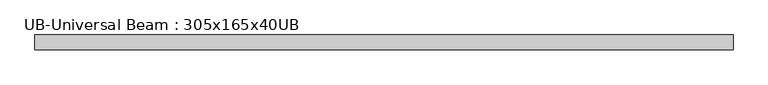
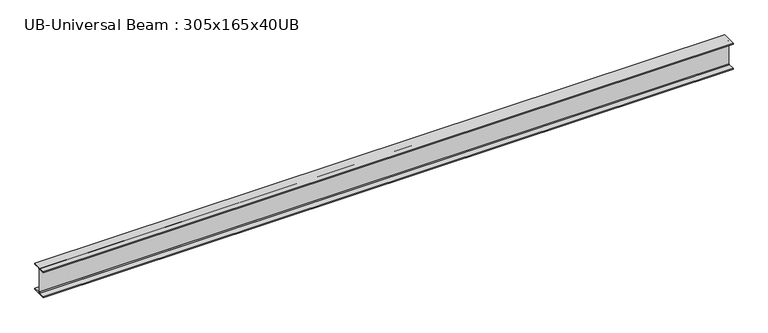
"""IFC4 building model written with IfcOpenShell, lengths in millimetres: beam geometry, UB-Universal Beam : 305x165x40UB."""

from ifc_helpers import new_model, si_unit, point, frame, frame_2d, origin, place, context, project, spatial, polyline, circle_curve, trimmed, segment, composite_curve, outline, extrude, source, transform, mapped, element, save


def ub_universal_beam_305x165x40ub_bc741ab3(model_context):
    return source(origin(), model_context, "Body", "SweptSolid", [
        extrude(outline(composite_curve([segment(polyline([(82.5, -141.5), (82.5, -151.7), (-82.5, -151.7), (-82.5, -141.5), (-11.9, -141.5)]), True, "CONTINUOUS"), segment(trimmed(circle_curve(frame_2d((-11.9, -132.6)), 8.9), [point((-11.9, -141.5))], [point((-3.0, -132.6))], True, "CARTESIAN"), True, "CONTINUOUS"), segment(polyline([(-3.0, -132.6), (-3.0, 132.6)]), True, "CONTINUOUS"), segment(trimmed(circle_curve(frame_2d((-11.9, 132.6)), 8.9), [point((-3.0, 132.6))], [point((-11.9, 141.5))], True, "CARTESIAN"), True, "CONTINUOUS"), segment(polyline([(-11.9, 141.5), (-82.5, 141.5), (-82.5, 151.7), (82.5, 151.7), (82.5, 141.5), (11.9, 141.5)]), True, "CONTINUOUS"), segment(trimmed(circle_curve(frame_2d((11.9, 132.6)), 8.9), [point((11.9, 141.5))], [point((3.0, 132.6))], True, "CARTESIAN"), True, "CONTINUOUS"), segment(polyline([(3.0, 132.6), (3.0, -132.6)]), True, "CONTINUOUS"), segment(trimmed(circle_curve(frame_2d((11.9, -132.6)), 8.9), [point((3.0, -132.6))], [point((11.9, -141.5))], True, "CARTESIAN"), True, "CONTINUOUS"), segment(polyline([(11.9, -141.5), (82.5, -141.5)]), True, "CONTINUOUS")], self_intersect=False)), frame((-3833.6827686, 0.0, 0.0), z_axis=(1.0, 0.0, 0.0), x_axis=(0.0, 1.0, 0.0)), (0.0, 0.0, 1.0), 7659.8169244),
    ])


if __name__ == "__main__":
    model = new_model("IFC4")
    model_context = context("Model", 3, world=origin())
    ifc_project = project(units=[si_unit("LENGTHUNIT", "METRE", prefix="MILLI")], contexts=[model_context])
    site = spatial("IfcSite", under=ifc_project)
    building = spatial("IfcBuilding", under=site)
    placement = place(None, origin())
    ub_universal_beam_305x165x40ub_shape = ub_universal_beam_305x165x40ub_bc741ab3(model_context)
    element("IfcBeam", 1, ObjectType="UB-Universal Beam : 305x165x40UB", at=placement, inside=building, context=model_context, shape_type="MappedRepresentation", body=[
        mapped(ub_universal_beam_305x165x40ub_shape, transform((0.0, 0.0, 0.0), x_axis=(1.0, 0.0, 0.0), y_axis=(0.0, 1.0, 0.0), z_axis=(0.0, 0.0, 1.0))),
    ])
    save(model, "model.ifc")
